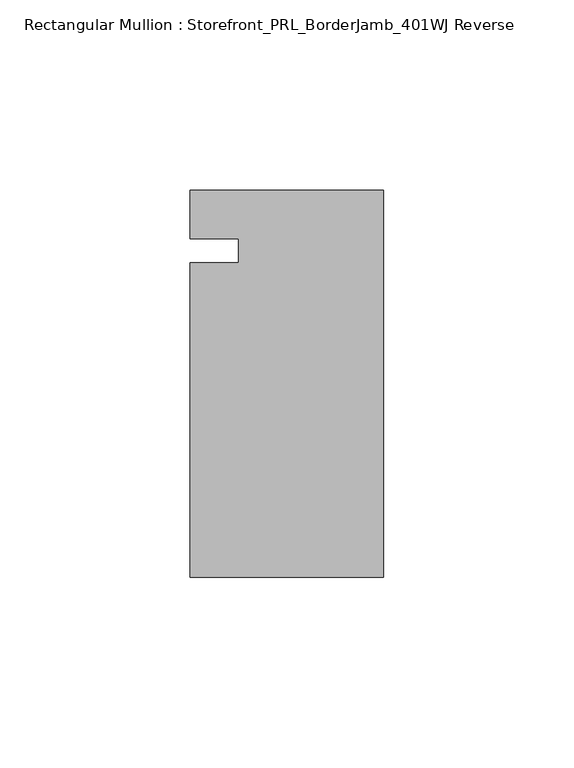
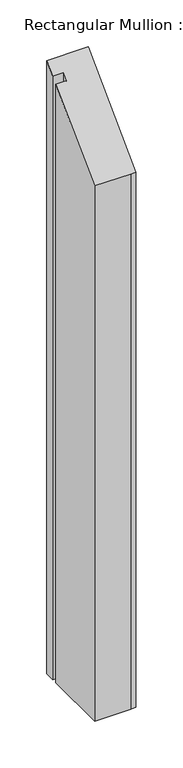
"""IFC4 building model written with IfcOpenShell, lengths in millimetres: member geometry, Rectangular Mullion : Storefront_PRL_BorderJamb_401WJ Reverse."""

from ifc_helpers import new_model, si_unit, origin, place, context, project, spatial, faceted_brep, source, transform, mapped, element, save


def rectangular_mullion_storefront_prl_borderjamb_401wj_reverse_d81682c5(model_context):
    return source(origin(), model_context, "Body", "Brep", [
        faceted_brep([(-38.1, -3.175, -782.1083333), (-38.1, 3.175, -782.1083333), (-50.8, 3.175, -782.1083333), (-50.8, 15.875, -782.1083333), (-7.3958824, 15.875, -782.1083333), (0.0, 15.875, -782.1083333), (0.0, -85.725, -782.1083333), (-6.35, -85.725, -782.1083333), (-50.8, -85.725, -782.1083333), (-50.8, -3.175, -782.1083333), (-50.8, -3.175, -3.175), (-38.1, -3.175, -3.175), (-50.8, -85.725, -85.725), (-6.35, -85.725, -85.725), (0.0, -85.725, -85.725), (0.0, 15.875, 15.875), (-7.3958824, 15.875, 15.875), (-50.8, 15.875, 15.875), (-50.8, 3.175, 3.175), (-38.1, 3.175, 3.175)], [[[0, 1, 2, 3, 4, 5, 6, 7, 8, 9]], [[10, 11, 0, 9]], [[12, 10, 9, 8]], [[13, 12, 8, 7]], [[14, 13, 7, 6]], [[15, 14, 6, 5]], [[16, 15, 5, 4]], [[17, 16, 4, 3]], [[18, 17, 3, 2]], [[19, 18, 2, 1]], [[11, 19, 1, 0]], [[11, 10, 12, 13, 14, 15, 16, 17, 18, 19]]]),
    ])


if __name__ == "__main__":
    model = new_model("IFC4")
    model_context = context("Model", 3, world=origin())
    ifc_project = project(units=[si_unit("LENGTHUNIT", "METRE", prefix="MILLI")], contexts=[model_context])
    site = spatial("IfcSite", under=ifc_project)
    building = spatial("IfcBuilding", under=site)
    placement = place(None, origin())
    rectangular_mullion_storefront_prl_borderjamb_401wj_reverse_shape = rectangular_mullion_storefront_prl_borderjamb_401wj_reverse_d81682c5(model_context)
    element("IfcMember", 1, ObjectType="Rectangular Mullion : Storefront_PRL_BorderJamb_401WJ Reverse", at=placement, inside=building, context=model_context, shape_type="MappedRepresentation", body=[
        mapped(rectangular_mullion_storefront_prl_borderjamb_401wj_reverse_shape, transform((0.0, 0.0, 0.0), x_axis=(1.0, 0.0, 0.0), y_axis=(0.0, 1.0, 0.0), z_axis=(0.0, 0.0, 1.0))),
    ])
    save(model, "model.ifc")
